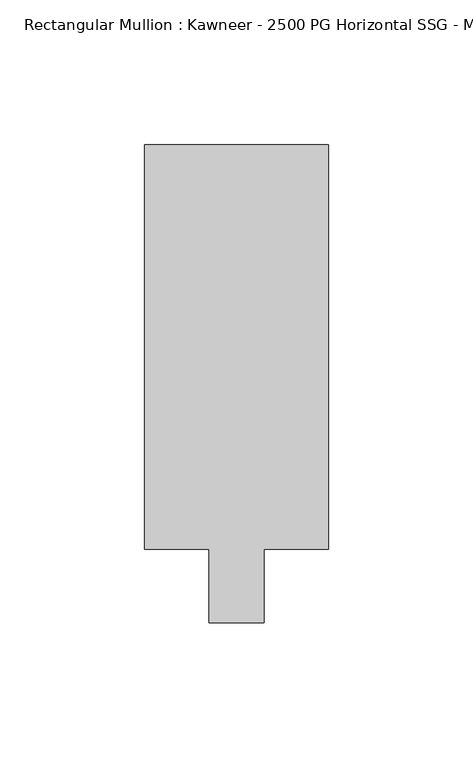
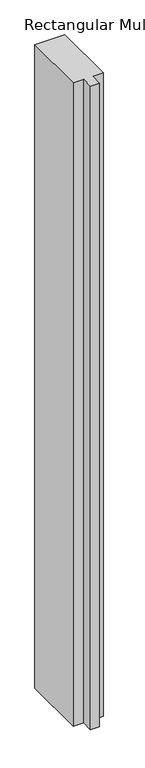
"""IFC4 building model written with IfcOpenShell, lengths in millimetres: member geometry, Rectangular Mullion : Kawneer - 2500 PG Horizontal SSG - Mullion_Horizontal."""

from ifc_helpers import new_model, si_unit, frame, origin, place, context, project, spatial, polyline, outline, extrude, source, transform, mapped, element, save


def rectangular_mullion_kawneer_2500_pg_horizontal_ssg_mullion_bfa5a728(model_context):
    return source(origin(), model_context, "Body", "SweptSolid", [
        extrude(outline(polyline([(-9.525, -69.85), (-9.525, -44.45), (-31.75, -44.45), (-31.75, 95.25), (31.75, 95.25), (31.75, -44.45), (9.525, -44.45), (9.525, -69.85), (-9.525, -69.85)])), frame((0.0, 0.0, -1438.8050876), z_axis=(0.0, 0.0, 1.0), x_axis=(1.0, 0.0, 0.0)), (0.0, 0.0, 1.0), 1438.8050876),
    ])


if __name__ == "__main__":
    model = new_model("IFC4")
    model_context = context("Model", 3, world=origin())
    ifc_project = project(units=[si_unit("LENGTHUNIT", "METRE", prefix="MILLI")], contexts=[model_context])
    site = spatial("IfcSite", under=ifc_project)
    building = spatial("IfcBuilding", under=site)
    placement = place(None, origin())
    rectangular_mullion_kawneer_2500_pg_horizontal_ssg_mullion_shape = rectangular_mullion_kawneer_2500_pg_horizontal_ssg_mullion_bfa5a728(model_context)
    element("IfcMember", 1, ObjectType="Rectangular Mullion : Kawneer - 2500 PG Horizontal SSG - Mullion_Horizontal", at=placement, inside=building, context=model_context, shape_type="MappedRepresentation", body=[
        mapped(rectangular_mullion_kawneer_2500_pg_horizontal_ssg_mullion_shape, transform((0.0, 0.0, 0.0), x_axis=(1.0, 0.0, 0.0), y_axis=(0.0, 1.0, 0.0), z_axis=(0.0, 0.0, 1.0))),
    ])
    save(model, "model.ifc")
